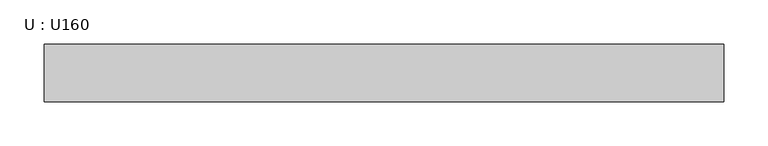
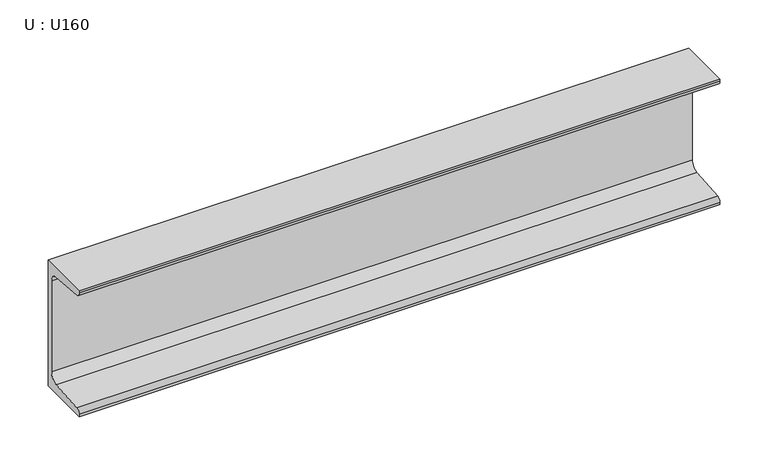
"""IFC4 building model written with IfcOpenShell, lengths in millimetres: beam geometry, U : U160."""

from ifc_helpers import new_model, si_unit, point, frame, frame_2d, origin, place, context, project, spatial, polyline, circle_curve, trimmed, segment, composite_curve, outline, extrude, source, transform, mapped, element, save


def u_u160_6fda36b2(model_context):
    return source(origin(), model_context, "Body", "SweptSolid", [
        extrude(outline(composite_curve([segment(polyline([(18.4, 80.0), (18.4, -80.0), (-46.6, -80.0), (-46.6, -77.1756821)]), True, "CONTINUOUS"), segment(trimmed(circle_curve(frame_2d((-41.1, -77.1756821)), 5.5), [point((-46.6, -77.1756821))], [point((-41.5382235, -71.693168))], False, "CARTESIAN"), True, "CONTINUOUS"), segment(polyline([(-41.5382235, -71.693168), (1.2366085, -68.2741277)]), True, "CONTINUOUS"), segment(trimmed(circle_curve(frame_2d((0.4, -57.8075099)), 10.5), [point((1.2366085, -68.2741277))], [point((10.9, -57.8075099))], True, "CARTESIAN"), True, "CONTINUOUS"), segment(polyline([(10.9, -57.8075099), (10.9, 57.8075099)]), True, "CONTINUOUS"), segment(trimmed(circle_curve(frame_2d((0.4, 57.8075099)), 10.5), [point((10.9, 57.8075099))], [point((1.2366085, 68.2741277))], True, "CARTESIAN"), True, "CONTINUOUS"), segment(polyline([(1.2366085, 68.2741277), (-41.5382235, 71.693168)]), True, "CONTINUOUS"), segment(trimmed(circle_curve(frame_2d((-41.1, 77.1756821)), 5.5), [point((-41.5382235, 71.693168))], [point((-46.6, 77.1756821))], False, "CARTESIAN"), True, "CONTINUOUS"), segment(polyline([(-46.6, 77.1756821), (-46.6, 80.0), (18.4, 80.0)]), True, "CONTINUOUS")], self_intersect=False)), frame((-413.0495313, 0.0, 0.0), z_axis=(1.0, 0.0, 0.0), x_axis=(0.0, 1.0, 0.0)), (0.0, 0.0, 1.0), 769.9995313),
    ])


if __name__ == "__main__":
    model = new_model("IFC4")
    model_context = context("Model", 3, world=origin())
    ifc_project = project(units=[si_unit("LENGTHUNIT", "METRE", prefix="MILLI")], contexts=[model_context])
    site = spatial("IfcSite", under=ifc_project)
    building = spatial("IfcBuilding", under=site)
    placement = place(None, origin())
    u_u160_shape = u_u160_6fda36b2(model_context)
    element("IfcBeam", 1, ObjectType="U : U160", at=placement, inside=building, context=model_context, shape_type="MappedRepresentation", body=[
        mapped(u_u160_shape, transform((0.0, 0.0, 0.0), x_axis=(1.0, 0.0, 0.0), y_axis=(0.0, 1.0, 0.0), z_axis=(0.0, 0.0, 1.0))),
    ])
    save(model, "model.ifc")
